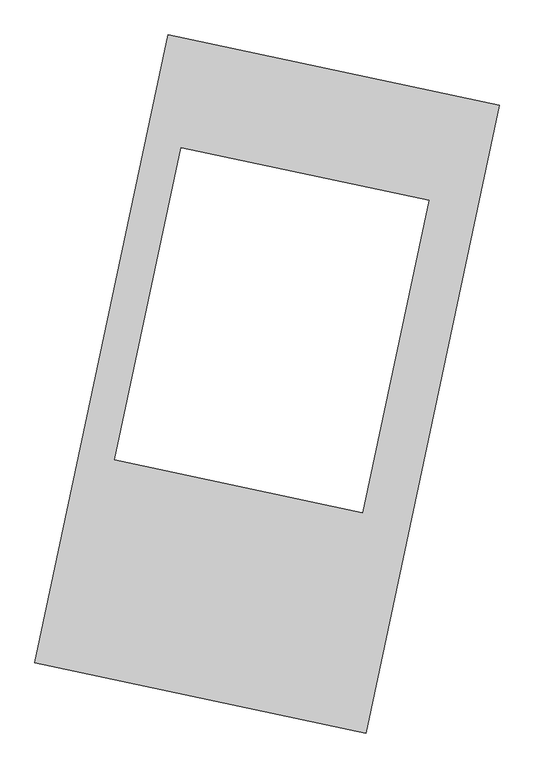
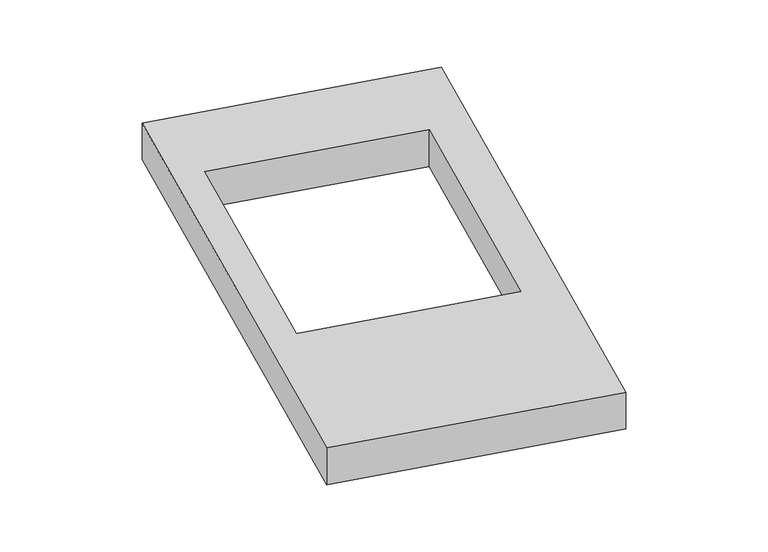
"""IFC4 building model written with IfcOpenShell, lengths in millimetres: proxy geometry."""

from ifc_helpers import new_model, si_unit, origin, origin_with_axes, place, context, project, spatial, polyline, outline, extrude, source, transform, mapped, element, save


def generic_models_af8f317d(model_context):
    return source(origin(), model_context, "Body", "SweptSolid", [
        extrude(outline(polyline([(-617.3692021, 2175.5580432), (1447.7508745, 1737.3010494), (617.3692021, -2175.5580432), (-1447.7508745, -1737.3010494), (-617.3692021, 2175.5580432)]), holes=[polyline([(1009.9653772, 1144.5492809), (-536.5211308, 1472.7425591), (-949.5814334, -473.6476546), (596.9050746, -801.8409329), (1009.9653772, 1144.5492809)])]), origin_with_axes(), (0.0, 0.0, 1.0), 300.0),
    ])


if __name__ == "__main__":
    model = new_model("IFC4")
    model_context = context("Model", 3, world=origin())
    ifc_project = project(units=[si_unit("LENGTHUNIT", "METRE", prefix="MILLI")], contexts=[model_context])
    site = spatial("IfcSite", under=ifc_project)
    building = spatial("IfcBuilding", under=site)
    placement = place(None, origin())
    generic_models_shape = generic_models_af8f317d(model_context)
    element("IfcBuildingElementProxy", 1, Name="Generic Models", at=placement, inside=building, context=model_context, shape_type="MappedRepresentation", body=[
        mapped(generic_models_shape, transform((0.0, 0.0, 0.0), x_axis=(1.0, 0.0, 0.0), y_axis=(0.0, 1.0, 0.0), z_axis=(0.0, 0.0, 1.0))),
    ])
    save(model, "model.ifc")
